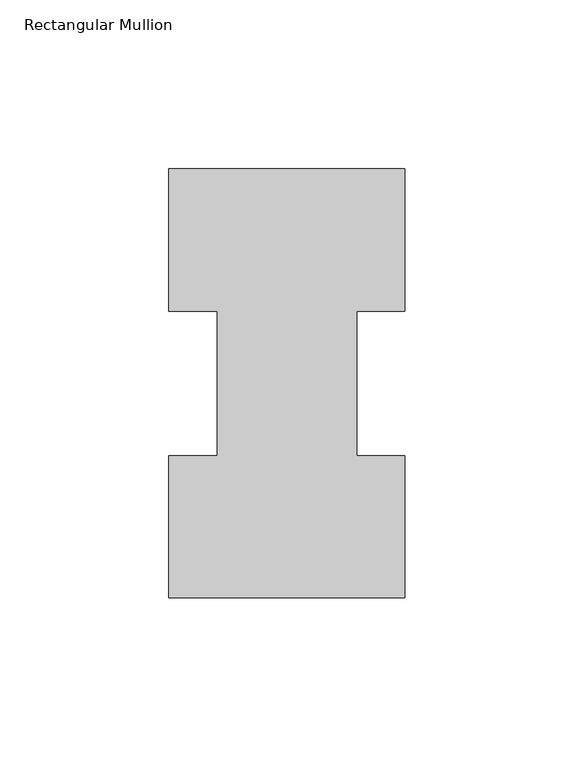
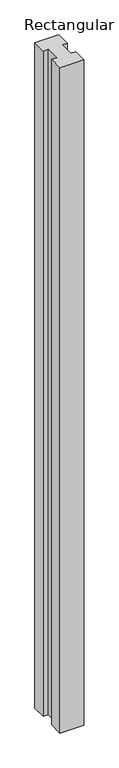
"""IFC4 building model written with IfcOpenShell, lengths in millimetres: member geometry, Rectangular Mullion."""

from ifc_helpers import new_model, si_unit, frame, origin, place, context, project, spatial, polyline, outline, extrude, source, transform, mapped, element, save


def rectangular_mullion_97b2a87a(model_context):
    return source(origin(), model_context, "Body", "SweptSolid", [
        extrude(outline(polyline([(-34.925, 127.00635), (34.925, 127.00635), (34.925, 84.93125), (20.6375, 84.93125), (20.6375, 42.08145), (34.925, 42.08145), (34.925, 0.00635), (-34.925, 0.00635), (-34.925, 42.08145), (-20.6375, 42.08145), (-20.6375, 84.93125), (-34.925, 84.93125), (-34.925, 127.00635)])), frame((0.0, 0.0, -2057.4), z_axis=(0.0, 0.0, 1.0), x_axis=(1.0, 0.0, 0.0)), (0.0, 0.0, 1.0), 2057.4),
    ])


if __name__ == "__main__":
    model = new_model("IFC4")
    model_context = context("Model", 3, world=origin())
    ifc_project = project(units=[si_unit("LENGTHUNIT", "METRE", prefix="MILLI")], contexts=[model_context])
    site = spatial("IfcSite", under=ifc_project)
    building = spatial("IfcBuilding", under=site)
    placement = place(None, origin())
    rectangular_mullion_shape = rectangular_mullion_97b2a87a(model_context)
    element("IfcMember", 1, ObjectType="Rectangular Mullion", at=placement, inside=building, context=model_context, shape_type="MappedRepresentation", body=[
        mapped(rectangular_mullion_shape, transform((0.0, 0.0, 0.0), x_axis=(1.0, 0.0, 0.0), y_axis=(0.0, 1.0, 0.0), z_axis=(0.0, 0.0, 1.0))),
    ])
    save(model, "model.ifc")
